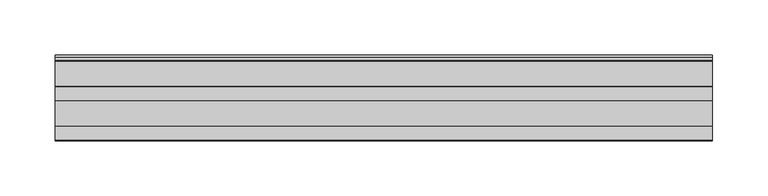
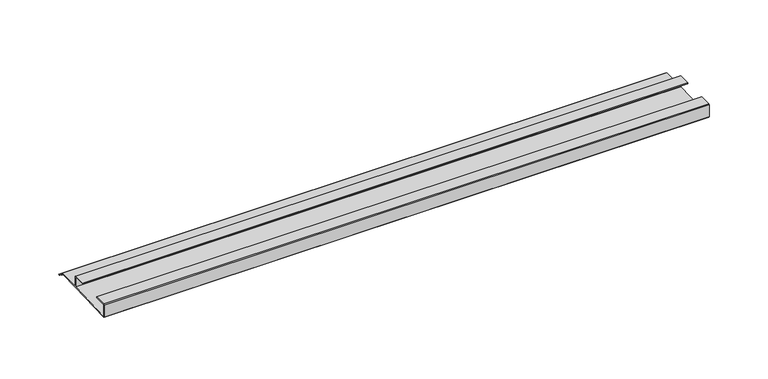
"""IFC4 building model written with IfcOpenShell, lengths in millimetres: furniture geometry."""

from ifc_helpers import new_model, si_unit, frame, origin, place, context, project, spatial, polyline, outline, extrude, source, transform, mapped, element, save


def furniture_9a381b99(model_context):
    return source(origin(), model_context, "Body", "SweptSolid", [
        extrude(outline(polyline([(-16.1532518, 512.3076998), (-16.9376349, 511.8893742), (-18.5259585, 513.5599489), (-20.7474799, 514.175282), (-21.763438, 516.2072074), (-45.0034802, 516.2072074), (-92.6265287, 514.175282), (-93.3884975, 514.9372508), (-93.3884975, 527.3675), (-92.5947475, 528.16125), (-80.6890189, 528.16125), (-80.6890189, 527.3675), (-92.6265287, 527.3675), (-92.6265287, 514.9372631), (-45.0034802, 517.0009574), (-45.0034802, 527.3675), (-56.9409919, 527.3675), (-56.9409919, 528.16125), (-45.0352673, 528.16125), (-44.2415173, 527.3675), (-44.2415173, 517.0009574), (-21.763438, 517.0009574), (-20.7474799, 515.1912447), (-18.0685872, 514.3222207), (-16.1532518, 512.3076998)])), frame((-276.9464592, 0.0, 0.0), z_axis=(1.0, 0.0, 0.0), x_axis=(0.0, 1.0, 0.0)), (0.0, 0.0, 1.0), 592.836),
    ])


if __name__ == "__main__":
    model = new_model("IFC4")
    model_context = context("Model", 3, world=origin())
    ifc_project = project(units=[si_unit("LENGTHUNIT", "METRE", prefix="MILLI")], contexts=[model_context])
    site = spatial("IfcSite", under=ifc_project)
    building = spatial("IfcBuilding", under=site)
    placement = place(None, origin())
    furniture_shape = furniture_9a381b99(model_context)
    element("IfcFurniture", 1, at=placement, inside=building, context=model_context, shape_type="MappedRepresentation", body=[
        mapped(furniture_shape, transform((0.0, 0.0, 0.0), x_axis=(1.0, 0.0, 0.0), y_axis=(0.0, 1.0, 0.0), z_axis=(0.0, 0.0, 1.0))),
    ])
    save(model, "model.ifc")
